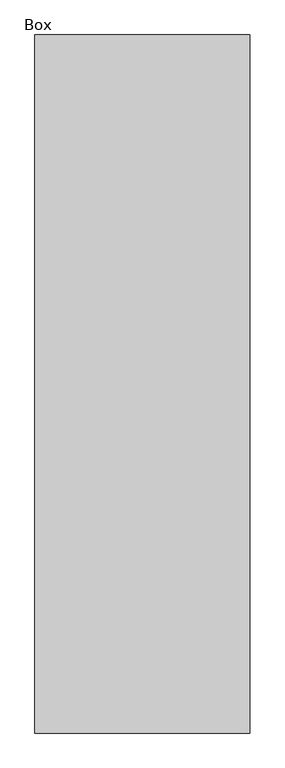
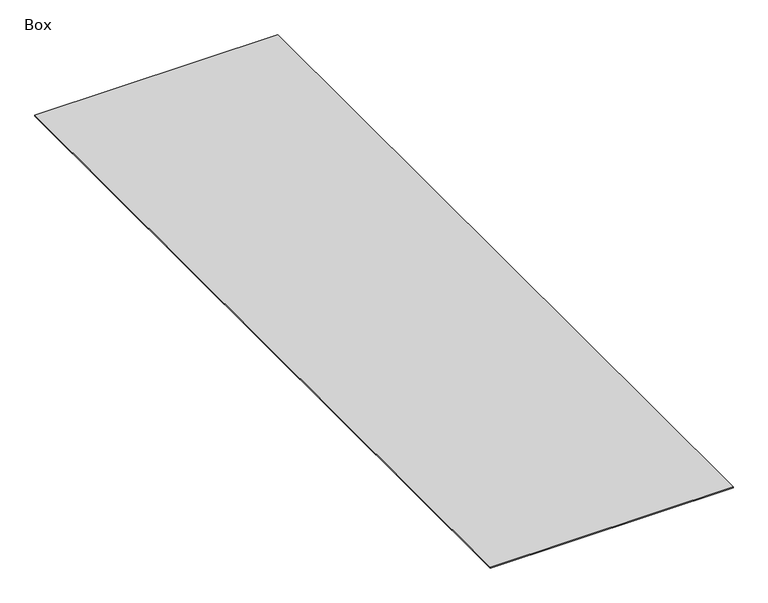
"""IFC4 building model written with IfcOpenShell, lengths in millimetres: furniture geometry, Box."""

from ifc_helpers import new_model, si_unit, origin, origin_with_axes, place, context, project, spatial, polyline, outline, extrude, source, transform, mapped, element, save


def box_49941bae(model_context):
    return source(origin(), model_context, "Body", "SweptSolid", [
        extrude(outline(polyline([(2044.7, 5743.8465234), (2044.7, -6143.3534766), (-1612.9, -6143.3534766), (-1612.9, 5743.8465234), (2044.7, 5743.8465234)])), origin_with_axes(), (0.0, 0.0, 1.0), 12.7),
    ])


if __name__ == "__main__":
    model = new_model("IFC4")
    model_context = context("Model", 3, world=origin())
    ifc_project = project(units=[si_unit("LENGTHUNIT", "METRE", prefix="MILLI")], contexts=[model_context])
    site = spatial("IfcSite", under=ifc_project)
    building = spatial("IfcBuilding", under=site)
    placement = place(None, origin())
    box_shape = box_49941bae(model_context)
    element("IfcFurniture", 1, ObjectType="Box", at=placement, inside=building, context=model_context, shape_type="MappedRepresentation", body=[
        mapped(box_shape, transform((0.0, 0.0, 0.0), x_axis=(1.0, 0.0, 0.0), y_axis=(0.0, 1.0, 0.0), z_axis=(0.0, 0.0, 1.0))),
    ])
    save(model, "model.ifc")
